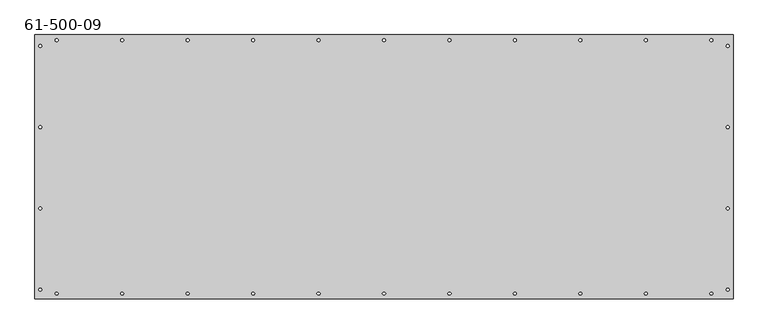
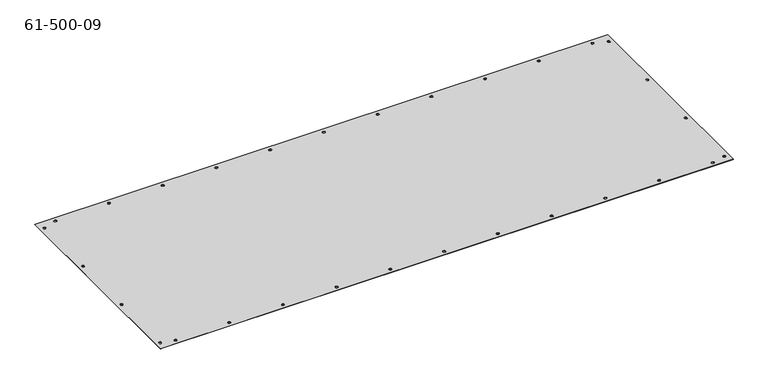
"""IFC4 building model written with IfcOpenShell, lengths in millimetres: proxy geometry, 61-500-09."""

import ifcopenshell
import ifcopenshell.guid

model = None  # the IFC model being written
_history = None  # IfcOwnerHistory: only IFC2X3 demands one
_inside = {}  # id of a spatial element -> (the spatial element, [elements in it])
_under = {}  # id of a project, library or spatial element -> (it, [spatial elements below it])
_declared = {}  # id of a project -> (the project, [libraries it declares])
_typed = {}  # id of a type object -> (the type object, [elements of that type])
_made_of = {}  # id of a material, layer set ... -> (it, [elements and type objects made of it])


def new_model(schema):
    """Start an empty IFC model of exactly this schema.

    Asked for "IFC4X3", IfcOpenShell would pick the latest addendum, in which some entities
    have other attributes; the version numbers below select the first issue.
    IFC2X3 requires an IfcOwnerHistory on every rooted entity: one is made here for all.
    """
    global model, _history
    if schema == "IFC4X3":
        model = ifcopenshell.file(schema_version=(4, 3, 0, 0))
    else:
        model = ifcopenshell.file(schema=schema)
    _inside.clear()
    _under.clear()
    _declared.clear()
    _typed.clear()
    _made_of.clear()
    _history = None
    if model.schema == "IFC2X3":
        org = make("IfcOrganization", Name="unknown")
        user = make(
            "IfcPersonAndOrganization",
            ThePerson=make("IfcPerson", FamilyName="unknown"),
            TheOrganization=org,
        )
        app = make(
            "IfcApplication",
            ApplicationDeveloper=org,
            Version="unknown",
            ApplicationFullName="unknown",
            ApplicationIdentifier="unknown",
        )
        _history = make(
            "IfcOwnerHistory",
            OwningUser=user,
            OwningApplication=app,
            ChangeAction="ADDED",
            CreationDate=0,
        )
    return model


def make(cls, **values):
    """One entity of the class cls with the attributes given. An attribute that is None is left unset."""
    return model.create_entity(
        cls, **{name: value for name, value in values.items() if value is not None}
    )


def rooted(cls, **values):
    """An entity with a GlobalId (a new one), such as an element, a storey or a relation."""
    return make(cls, GlobalId=ifcopenshell.guid.new(), OwnerHistory=_history, **values)


def si_unit(unit_type, name, prefix=None):
    """IfcSIUnit, for example si_unit("LENGTHUNIT", "METRE", prefix="MILLI")."""
    return make("IfcSIUnit", UnitType=unit_type, Prefix=prefix, Name=name)


def assignment(units):
    """IfcUnitAssignment: the units of a project."""
    return None if units is None else make("IfcUnitAssignment", Units=units)


def point(xyz):
    """IfcCartesianPoint."""
    return None if xyz is None else make("IfcCartesianPoint", Coordinates=xyz)


def direction(xyz):
    """IfcDirection."""
    return None if xyz is None else make("IfcDirection", DirectionRatios=xyz)


def frame(location, z_axis=None, x_axis=None):
    """IfcAxis2Placement3D, a coordinate frame: its origin and axes. An axis left out is left unset."""
    return make(
        "IfcAxis2Placement3D",
        Location=point(location),
        Axis=direction(z_axis),
        RefDirection=direction(x_axis),
    )


def frame_2d(location, x_axis=None):
    """IfcAxis2Placement2D, a coordinate frame in the plane: its origin and x axis."""
    return make(
        "IfcAxis2Placement2D", Location=point(location), RefDirection=direction(x_axis)
    )


def origin():
    """The frame at (0, 0, 0) with its axes left unset."""
    return frame((0.0, 0.0, 0.0))


def origin_with_axes():
    """The frame at (0, 0, 0) with the z axis (0, 0, 1) and the x axis (1, 0, 0) written out."""
    return frame((0.0, 0.0, 0.0), z_axis=(0.0, 0.0, 1.0), x_axis=(1.0, 0.0, 0.0))


def place(relative_to, where):
    """IfcLocalPlacement: puts the frame where relative to a parent placement (None: the world)."""
    return make(
        "IfcLocalPlacement", PlacementRelTo=relative_to, RelativePlacement=where
    )


def context(
    kind, dimensions, precision=None, world=None, true_north=None, identifier=None
):
    """IfcGeometricRepresentationContext, for example the 3D "Model" context."""
    return make(
        "IfcGeometricRepresentationContext",
        ContextIdentifier=identifier,
        ContextType=kind,
        CoordinateSpaceDimension=dimensions,
        Precision=precision,
        WorldCoordinateSystem=world,
        TrueNorth=true_north,
    )


def project(units=None, contexts=None):
    """IfcProject with its units and contexts."""
    return rooted(
        "IfcProject",
        Name="project",
        RepresentationContexts=contexts,
        UnitsInContext=assignment(units),
    )


def spatial(cls, under=None, at=None, **own):
    """A site, building, storey or space (cls), placed at a placement, below another one or the project."""
    s = rooted(cls, ObjectPlacement=at, **own)
    if under is not None:
        _under.setdefault(under.id(), (under, []))[1].append(s)
    return s


def polyline(points):
    """IfcPolyline through the points."""
    return make("IfcPolyline", Points=[point(p) for p in points])


def circle_curve(where, radius):
    """IfcCircle in the frame where."""
    return make("IfcCircle", Position=where, Radius=radius)


def trimmed(basis, trim1, trim2, sense, master):
    """IfcTrimmedCurve: the piece of a basis curve between two trims."""
    return make(
        "IfcTrimmedCurve",
        BasisCurve=basis,
        Trim1=trim1,
        Trim2=trim2,
        SenseAgreement=sense,
        MasterRepresentation=master,
    )


def segment(curve, same_sense, transition):
    """IfcCompositeCurveSegment."""
    return make(
        "IfcCompositeCurveSegment",
        Transition=transition,
        SameSense=same_sense,
        ParentCurve=curve,
    )


def composite_curve(segments, self_intersect=None):
    """IfcCompositeCurve: segments joined end to end."""
    return make("IfcCompositeCurve", Segments=segments, SelfIntersect=self_intersect)


def outline(outer, holes=None, kind="AREA"):
    """IfcArbitraryClosedProfileDef: a profile drawn as a closed curve; with holes, ...WithVoids."""
    if holes is None:
        return make("IfcArbitraryClosedProfileDef", ProfileType=kind, OuterCurve=outer)
    return make(
        "IfcArbitraryProfileDefWithVoids",
        ProfileType=kind,
        OuterCurve=outer,
        InnerCurves=holes,
    )


def extrude(swept, where, along, depth):
    """IfcExtrudedAreaSolid: the profile swept, set in the frame where, extruded along a direction by depth."""
    return make(
        "IfcExtrudedAreaSolid",
        SweptArea=swept,
        Position=where,
        ExtrudedDirection=direction(along),
        Depth=depth,
    )


def shape(context_of_items, identifier, shape_type, items):
    """IfcShapeRepresentation: the items that make up one representation, for example the "Body"."""
    return make(
        "IfcShapeRepresentation",
        ContextOfItems=context_of_items,
        RepresentationIdentifier=identifier,
        RepresentationType=shape_type,
        Items=items,
    )


def source(mapping_origin, context_of_items, identifier, shape_type, items):
    """IfcRepresentationMap: a shape defined once, which mapped items show again and again."""
    return make(
        "IfcRepresentationMap",
        MappingOrigin=mapping_origin,
        MappedRepresentation=shape(context_of_items, identifier, shape_type, items),
    )


def transform(
    local_origin,
    x_axis=None,
    y_axis=None,
    z_axis=None,
    scale=None,
    scale2=None,
    scale3=None,
    uniform=True,
):
    """IfcCartesianTransformationOperator3D, or its non-uniform kind. x_axis, y_axis, z_axis: its Axis1, 2, 3."""
    if uniform:
        return make(
            "IfcCartesianTransformationOperator3D",
            Axis1=direction(x_axis),
            Axis2=direction(y_axis),
            LocalOrigin=point(local_origin),
            Scale=scale,
            Axis3=direction(z_axis),
        )
    return make(
        "IfcCartesianTransformationOperator3DnonUniform",
        Axis1=direction(x_axis),
        Axis2=direction(y_axis),
        LocalOrigin=point(local_origin),
        Scale=scale,
        Axis3=direction(z_axis),
        Scale2=scale2,
        Scale3=scale3,
    )


def mapped(mapping_source, mapping_target):
    """IfcMappedItem: shows the shape of a source again, moved by a transform."""
    return make(
        "IfcMappedItem", MappingSource=mapping_source, MappingTarget=mapping_target
    )


def made_of(thing, what):
    """Note that an element or type object is made of a material, layer set ...; save() writes the relation."""
    if what is not None:
        _made_of.setdefault(what.id(), (what, []))[1].append(thing)
    return thing


def element(
    cls,
    number,
    at=None,
    inside=None,
    cuts=None,
    type_object=None,
    material=None,
    context=None,
    identifier="Body",
    shape_type=None,
    held_by="IfcProductDefinitionShape",
    body=None,
    shapes=None,
    **own,
):
    """One element of the class cls, such as IfcWall. Its Tag is "e" and its number.

    at: its placement. inside: the storey or other place that contains it. cuts: it is an
    opening in that element (IfcRelVoidsElement). A single representation is given by context,
    identifier, shape_type and body (its items); several are given by shapes. held_by: the class
    of the entity that holds the representations. save() writes the other relations.
    """
    e = rooted(cls, Tag="e%d" % number, ObjectPlacement=at, **own)
    if body is not None:
        shapes = [shape(context, identifier, shape_type, body)]
    if shapes is not None:
        e.Representation = make(held_by, Representations=shapes)
    if inside is not None:
        _inside.setdefault(inside.id(), (inside, []))[1].append(e)
    if cuts is not None:
        rooted(
            "IfcRelVoidsElement", RelatingBuildingElement=cuts, RelatedOpeningElement=e
        )
    if type_object is not None:
        _typed.setdefault(type_object.id(), (type_object, []))[1].append(e)
    return made_of(e, material)


def aggregate(whole, parts):
    """IfcRelAggregates: a whole, such as a stair, and the parts it consists of."""
    return rooted("IfcRelAggregates", RelatingObject=whole, RelatedObjects=parts)


def save(model, path):
    """Write the relations noted so far, then the file.

    IfcRelAggregates (storeys below a building ...), IfcRelContainedInSpatialStructure (elements
    in a storey), IfcRelDefinesByType, IfcRelAssociatesMaterial and IfcRelDeclares: one each for
    every whole, place, type object, material and project.
    """
    for whole, parts in _under.values():
        aggregate(whole, parts)
    for where, things in _inside.values():
        rooted(
            "IfcRelContainedInSpatialStructure",
            RelatedElements=things,
            RelatingStructure=where,
        )
    for kind, things in _typed.values():
        rooted("IfcRelDefinesByType", RelatedObjects=things, RelatingType=kind)
    for what, things in _made_of.values():
        rooted("IfcRelAssociatesMaterial", RelatedObjects=things, RelatingMaterial=what)
    for by, libraries in _declared.values():
        rooted("IfcRelDeclares", RelatingContext=by, RelatedDefinitions=libraries)
    model.write(path)


def proxy_61_500_09_ed3003fb(model_context):
    return source(origin(), model_context, "Body", "SweptSolid", [
        extrude(outline(polyline([(622.3, -235.7755), (-622.3, -235.7755), (-622.3, 235.7755), (622.3, 235.7755), (622.3, -235.7755)]), holes=[composite_curve([segment(trimmed(circle_curve(frame_2d((612.775, -219.4052002)), 2.3368), [point((610.4382, -219.4052002))], [point((615.1118, -219.4052002))], True, "CARTESIAN"), True, "CONTINUOUS"), segment(polyline([(615.1118, -219.4052002), (615.1118, -218.6178002)]), True, "CONTINUOUS"), segment(trimmed(circle_curve(frame_2d((612.775, -218.6177998)), 2.3368), [point((615.1118, -218.6178002))], [point((610.4382, -218.6177994))], True, "CARTESIAN"), True, "CONTINUOUS"), segment(polyline([(610.4382, -218.6177994), (610.4382, -219.4052002)]), True, "CONTINUOUS")], self_intersect=False), composite_curve([segment(trimmed(circle_curve(frame_2d((-612.775, -219.4052002)), 2.3368), [point((-615.1118, -219.4052002))], [point((-610.4382, -219.4052002))], True, "CARTESIAN"), True, "CONTINUOUS"), segment(polyline([(-610.4382, -219.4052002), (-610.4382, -218.6177994)]), True, "CONTINUOUS"), segment(trimmed(circle_curve(frame_2d((-612.775, -218.6177998)), 2.3368), [point((-610.4382, -218.6177994))], [point((-615.1118, -218.6178002))], True, "CARTESIAN"), True, "CONTINUOUS"), segment(polyline([(-615.1118, -218.6178002), (-615.1118, -219.4052002)]), True, "CONTINUOUS")], self_intersect=False), composite_curve([segment(trimmed(circle_curve(frame_2d((-612.775, 215.5697998)), 2.3368), [point((-615.1118, 215.5697998))], [point((-610.4382, 215.5697998))], True, "CARTESIAN"), True, "CONTINUOUS"), segment(polyline([(-610.4382, 215.5697998), (-610.4382, 216.3572006)]), True, "CONTINUOUS"), segment(trimmed(circle_curve(frame_2d((-612.775, 216.3572002)), 2.3368), [point((-610.4382, 216.3572006))], [point((-615.1118, 216.3571998))], True, "CARTESIAN"), True, "CONTINUOUS"), segment(polyline([(-615.1118, 216.3571998), (-615.1118, 215.5697998)]), True, "CONTINUOUS")], self_intersect=False), composite_curve([segment(trimmed(circle_curve(frame_2d((-612.7749957, -74.4220002)), 2.3368), [point((-615.1117957, -74.4220002))], [point((-610.4381957, -74.4220002))], True, "CARTESIAN"), True, "CONTINUOUS"), segment(polyline([(-610.4381957, -74.4220002), (-610.4381957, -73.6345994)]), True, "CONTINUOUS"), segment(trimmed(circle_curve(frame_2d((-612.7749957, -73.6345998)), 2.3368), [point((-610.4381957, -73.6345994))], [point((-615.1117957, -73.6346002))], True, "CARTESIAN"), True, "CONTINUOUS"), segment(polyline([(-615.1117957, -73.6346002), (-615.1117957, -74.4220002)]), True, "CONTINUOUS")], self_intersect=False), composite_curve([segment(trimmed(circle_curve(frame_2d((612.7749957, -74.4220002)), 2.3368), [point((610.4381957, -74.4220002))], [point((615.1117957, -74.4220002))], True, "CARTESIAN"), True, "CONTINUOUS"), segment(polyline([(615.1117957, -74.4220002), (615.1117957, -73.6346002)]), True, "CONTINUOUS"), segment(trimmed(circle_curve(frame_2d((612.7749957, -73.6345998)), 2.3368), [point((615.1117957, -73.6346002))], [point((610.4381957, -73.6345994))], True, "CARTESIAN"), True, "CONTINUOUS"), segment(polyline([(610.4381957, -73.6345994), (610.4381957, -74.4220002)]), True, "CONTINUOUS")], self_intersect=False), composite_curve([segment(trimmed(circle_curve(frame_2d((-612.775, 70.5865998)), 2.3368), [point((-615.1118, 70.5865998))], [point((-610.4382, 70.5865998))], True, "CARTESIAN"), True, "CONTINUOUS"), segment(polyline([(-610.4382, 70.5865998), (-610.4382, 71.3740006)]), True, "CONTINUOUS"), segment(trimmed(circle_curve(frame_2d((-612.775, 71.3740002)), 2.3368), [point((-610.4382, 71.3740006))], [point((-615.1118, 71.3739998))], True, "CARTESIAN"), True, "CONTINUOUS"), segment(polyline([(-615.1118, 71.3739998), (-615.1118, 70.5865998)]), True, "CONTINUOUS")], self_intersect=False), composite_curve([segment(trimmed(circle_curve(frame_2d((612.775, 71.3740002)), 2.3368), [point((615.1118, 71.3739998))], [point((610.4382, 71.3740006))], True, "CARTESIAN"), True, "CONTINUOUS"), segment(polyline([(610.4382, 71.3740006), (610.4382, 70.5865998)]), True, "CONTINUOUS"), segment(trimmed(circle_curve(frame_2d((612.775, 70.5865998)), 2.3368), [point((610.4382, 70.5865998))], [point((615.1118, 70.5865998))], True, "CARTESIAN"), True, "CONTINUOUS"), segment(polyline([(615.1118, 70.5865998), (615.1118, 71.3739998)]), True, "CONTINUOUS")], self_intersect=False), composite_curve([segment(trimmed(circle_curve(frame_2d((612.775, 216.3572002)), 2.3368), [point((615.1118, 216.3571998))], [point((610.4382, 216.3572006))], True, "CARTESIAN"), True, "CONTINUOUS"), segment(polyline([(610.4382, 216.3572006), (610.4382, 215.5697998)]), True, "CONTINUOUS"), segment(trimmed(circle_curve(frame_2d((612.775, 215.5697998)), 2.3368), [point((610.4382, 215.5697998))], [point((615.1118, 215.5697998))], True, "CARTESIAN"), True, "CONTINUOUS"), segment(polyline([(615.1118, 215.5697998), (615.1118, 216.3571998)]), True, "CONTINUOUS")], self_intersect=False), composite_curve([segment(trimmed(circle_curve(frame_2d((466.5599, -226.2505)), 2.3368), [point((466.5599, -223.9137))], [point((466.5599, -228.5873))], True, "CARTESIAN"), True, "CONTINUOUS"), segment(polyline([(466.5599, -228.5873), (467.3473, -228.5873)]), True, "CONTINUOUS"), segment(trimmed(circle_curve(frame_2d((467.3473, -226.2505)), 2.3368), [point((467.3473, -228.5873))], [point((467.3473, -223.9137))], True, "CARTESIAN"), True, "CONTINUOUS"), segment(polyline([(467.3473, -223.9137), (466.5599, -223.9137)]), True, "CONTINUOUS")], self_intersect=False), composite_curve([segment(trimmed(circle_curve(frame_2d((350.6089, -226.2505)), 2.3368), [point((350.6089, -228.5873))], [point((350.6089, -223.9137))], True, "CARTESIAN"), True, "CONTINUOUS"), segment(polyline([(350.6089, -223.9137), (349.8215, -223.9137)]), True, "CONTINUOUS"), segment(trimmed(circle_curve(frame_2d((349.8215, -226.2505)), 2.3368), [point((349.8215, -223.9137))], [point((349.8215, -228.5873))], True, "CARTESIAN"), True, "CONTINUOUS"), segment(polyline([(349.8215, -228.5873), (350.6089, -228.5873)]), True, "CONTINUOUS")], self_intersect=False), composite_curve([segment(trimmed(circle_curve(frame_2d((0.3937, -226.2505)), 2.3368), [point((0.3937, -228.5873))], [point((0.3937, -223.9137))], True, "CARTESIAN"), True, "CONTINUOUS"), segment(polyline([(0.3937, -223.9137), (-0.3937, -223.9137)]), True, "CONTINUOUS"), segment(trimmed(circle_curve(frame_2d((-0.3937, -226.2505)), 2.3368), [point((-0.3937, -223.9137))], [point((-0.3937, -228.5873))], True, "CARTESIAN"), True, "CONTINUOUS"), segment(polyline([(-0.3937, -228.5873), (0.3937, -228.5873)]), True, "CONTINUOUS")], self_intersect=False), composite_curve([segment(trimmed(circle_curve(frame_2d((-233.0831, -226.2505)), 2.3368), [point((-233.0831, -228.5873))], [point((-233.0831, -223.9137))], True, "CARTESIAN"), True, "CONTINUOUS"), segment(polyline([(-233.0831, -223.9137), (-233.8705, -223.9137)]), True, "CONTINUOUS"), segment(trimmed(circle_curve(frame_2d((-233.8705, -226.2505)), 2.3368), [point((-233.8705, -223.9137))], [point((-233.8705, -228.5873))], True, "CARTESIAN"), True, "CONTINUOUS"), segment(polyline([(-233.8705, -228.5873), (-233.0831, -228.5873)]), True, "CONTINUOUS")], self_intersect=False), composite_curve([segment(trimmed(circle_curve(frame_2d((-467.3473, -226.2505)), 2.3368), [point((-467.3473, -223.9137))], [point((-467.3473, -228.5873))], True, "CARTESIAN"), True, "CONTINUOUS"), segment(polyline([(-467.3473, -228.5873), (-466.5599, -228.5873)]), True, "CONTINUOUS"), segment(trimmed(circle_curve(frame_2d((-466.5599, -226.2505)), 2.3368), [point((-466.5599, -228.5873))], [point((-466.5599, -223.9137))], True, "CARTESIAN"), True, "CONTINUOUS"), segment(polyline([(-466.5599, -223.9137), (-467.3473, -223.9137)]), True, "CONTINUOUS")], self_intersect=False), composite_curve([segment(trimmed(circle_curve(frame_2d((583.2983, 226.2505)), 2.3368), [point((583.2983, 228.5873))], [point((583.2983, 223.9137))], True, "CARTESIAN"), True, "CONTINUOUS"), segment(polyline([(583.2983, 223.9137), (584.0857, 223.9137)]), True, "CONTINUOUS"), segment(trimmed(circle_curve(frame_2d((584.0857, 226.2505)), 2.3368), [point((584.0857, 223.9137))], [point((584.0857, 228.5873))], True, "CARTESIAN"), True, "CONTINUOUS"), segment(polyline([(584.0857, 228.5873), (583.2983, 228.5873)]), True, "CONTINUOUS")], self_intersect=False), composite_curve([segment(trimmed(circle_curve(frame_2d((349.8215, 226.2505)), 2.3368), [point((349.8215, 228.5873))], [point((349.8215, 223.9137))], True, "CARTESIAN"), True, "CONTINUOUS"), segment(polyline([(349.8215, 223.9137), (350.6089, 223.9137)]), True, "CONTINUOUS"), segment(trimmed(circle_curve(frame_2d((350.6089, 226.2505)), 2.3368), [point((350.6089, 223.9137))], [point((350.6089, 228.5873))], True, "CARTESIAN"), True, "CONTINUOUS"), segment(polyline([(350.6089, 228.5873), (349.8215, 228.5873)]), True, "CONTINUOUS")], self_intersect=False), composite_curve([segment(trimmed(circle_curve(frame_2d((116.3447, 226.2505)), 2.3368), [point((116.3447, 228.5873))], [point((116.3447, 223.9137))], True, "CARTESIAN"), True, "CONTINUOUS"), segment(polyline([(116.3447, 223.9137), (117.1321, 223.9137)]), True, "CONTINUOUS"), segment(trimmed(circle_curve(frame_2d((117.1321, 226.2505)), 2.3368), [point((117.1321, 223.9137))], [point((117.1321, 228.5873))], True, "CARTESIAN"), True, "CONTINUOUS"), segment(polyline([(117.1321, 228.5873), (116.3447, 228.5873)]), True, "CONTINUOUS")], self_intersect=False), composite_curve([segment(trimmed(circle_curve(frame_2d((-117.1321, 226.2505)), 2.3368), [point((-117.1321, 228.5873))], [point((-117.1321, 223.9137))], True, "CARTESIAN"), True, "CONTINUOUS"), segment(polyline([(-117.1321, 223.9137), (-116.3447, 223.9137)]), True, "CONTINUOUS"), segment(trimmed(circle_curve(frame_2d((-116.3447, 226.2505)), 2.3368), [point((-116.3447, 223.9137))], [point((-116.3447, 228.5873))], True, "CARTESIAN"), True, "CONTINUOUS"), segment(polyline([(-116.3447, 228.5873), (-117.1321, 228.5873)]), True, "CONTINUOUS")], self_intersect=False), composite_curve([segment(trimmed(circle_curve(frame_2d((-350.6089, 226.2505)), 2.3368), [point((-350.6089, 228.5873))], [point((-350.6089, 223.9137))], True, "CARTESIAN"), True, "CONTINUOUS"), segment(polyline([(-350.6089, 223.9137), (-349.8215, 223.9137)]), True, "CONTINUOUS"), segment(trimmed(circle_curve(frame_2d((-349.8215, 226.2505)), 2.3368), [point((-349.8215, 223.9137))], [point((-349.8215, 228.5873))], True, "CARTESIAN"), True, "CONTINUOUS"), segment(polyline([(-349.8215, 228.5873), (-350.6089, 228.5873)]), True, "CONTINUOUS")], self_intersect=False), composite_curve([segment(trimmed(circle_curve(frame_2d((-584.0857, 226.2505)), 2.3368), [point((-584.0857, 228.5873))], [point((-584.0857, 223.9137))], True, "CARTESIAN"), True, "CONTINUOUS"), segment(polyline([(-584.0857, 223.9137), (-583.2983, 223.9137)]), True, "CONTINUOUS"), segment(trimmed(circle_curve(frame_2d((-583.2983, 226.2505)), 2.3368), [point((-583.2983, 223.9137))], [point((-583.2983, 228.5873))], True, "CARTESIAN"), True, "CONTINUOUS"), segment(polyline([(-583.2983, 228.5873), (-584.0857, 228.5873)]), True, "CONTINUOUS")], self_intersect=False), composite_curve([segment(trimmed(circle_curve(frame_2d((-467.3473, 226.2505)), 2.3368), [point((-467.3473, 228.5873))], [point((-467.3473, 223.9137))], True, "CARTESIAN"), True, "CONTINUOUS"), segment(polyline([(-467.3473, 223.9137), (-466.5599, 223.9137)]), True, "CONTINUOUS"), segment(trimmed(circle_curve(frame_2d((-466.5599, 226.2505)), 2.3368), [point((-466.5599, 223.9137))], [point((-466.5599, 228.5873))], True, "CARTESIAN"), True, "CONTINUOUS"), segment(polyline([(-466.5599, 228.5873), (-467.3473, 228.5873)]), True, "CONTINUOUS")], self_intersect=False), composite_curve([segment(trimmed(circle_curve(frame_2d((-233.8705, 226.2505)), 2.3368), [point((-233.8705, 228.5873))], [point((-233.8705, 223.9137))], True, "CARTESIAN"), True, "CONTINUOUS"), segment(polyline([(-233.8705, 223.9137), (-233.0831, 223.9137)]), True, "CONTINUOUS"), segment(trimmed(circle_curve(frame_2d((-233.0831, 226.2505)), 2.3368), [point((-233.0831, 223.9137))], [point((-233.0831, 228.5873))], True, "CARTESIAN"), True, "CONTINUOUS"), segment(polyline([(-233.0831, 228.5873), (-233.8705, 228.5873)]), True, "CONTINUOUS")], self_intersect=False), composite_curve([segment(trimmed(circle_curve(frame_2d((-0.3937, 226.2505)), 2.3368), [point((-0.3937, 228.5873))], [point((-0.3937, 223.9137))], True, "CARTESIAN"), True, "CONTINUOUS"), segment(polyline([(-0.3937, 223.9137), (0.3937, 223.9137)]), True, "CONTINUOUS"), segment(trimmed(circle_curve(frame_2d((0.3937, 226.2505)), 2.3368), [point((0.3937, 223.9137))], [point((0.3937, 228.5873))], True, "CARTESIAN"), True, "CONTINUOUS"), segment(polyline([(0.3937, 228.5873), (-0.3937, 228.5873)]), True, "CONTINUOUS")], self_intersect=False), composite_curve([segment(trimmed(circle_curve(frame_2d((233.0831, 226.2505)), 2.3368), [point((233.0831, 228.5873))], [point((233.0831, 223.9137))], True, "CARTESIAN"), True, "CONTINUOUS"), segment(polyline([(233.0831, 223.9137), (233.8705, 223.9137)]), True, "CONTINUOUS"), segment(trimmed(circle_curve(frame_2d((233.8705, 226.2505)), 2.3368), [point((233.8705, 223.9137))], [point((233.8705, 228.5873))], True, "CARTESIAN"), True, "CONTINUOUS"), segment(polyline([(233.8705, 228.5873), (233.0831, 228.5873)]), True, "CONTINUOUS")], self_intersect=False), composite_curve([segment(trimmed(circle_curve(frame_2d((466.5599, 226.2505)), 2.3368), [point((466.5599, 228.5873))], [point((466.5599, 223.9137))], True, "CARTESIAN"), True, "CONTINUOUS"), segment(polyline([(466.5599, 223.9137), (467.3473, 223.9137)]), True, "CONTINUOUS"), segment(trimmed(circle_curve(frame_2d((467.3473, 226.2505)), 2.3368), [point((467.3473, 223.9137))], [point((467.3473, 228.5873))], True, "CARTESIAN"), True, "CONTINUOUS"), segment(polyline([(467.3473, 228.5873), (466.5599, 228.5873)]), True, "CONTINUOUS")], self_intersect=False), composite_curve([segment(trimmed(circle_curve(frame_2d((-583.2983, -226.2505)), 2.3368), [point((-583.2983, -228.5873))], [point((-583.2983, -223.9137))], True, "CARTESIAN"), True, "CONTINUOUS"), segment(polyline([(-583.2983, -223.9137), (-584.0857, -223.9137)]), True, "CONTINUOUS"), segment(trimmed(circle_curve(frame_2d((-584.0857, -226.2505)), 2.3368), [point((-584.0857, -223.9137))], [point((-584.0857, -228.5873))], True, "CARTESIAN"), True, "CONTINUOUS"), segment(polyline([(-584.0857, -228.5873), (-583.2983, -228.5873)]), True, "CONTINUOUS")], self_intersect=False), composite_curve([segment(trimmed(circle_curve(frame_2d((-349.8215, -226.2505)), 2.3368), [point((-349.8215, -228.5873))], [point((-349.8215, -223.9137))], True, "CARTESIAN"), True, "CONTINUOUS"), segment(polyline([(-349.8215, -223.9137), (-350.6089, -223.9137)]), True, "CONTINUOUS"), segment(trimmed(circle_curve(frame_2d((-350.6089, -226.2505)), 2.3368), [point((-350.6089, -223.9137))], [point((-350.6089, -228.5873))], True, "CARTESIAN"), True, "CONTINUOUS"), segment(polyline([(-350.6089, -228.5873), (-349.8215, -228.5873)]), True, "CONTINUOUS")], self_intersect=False), composite_curve([segment(trimmed(circle_curve(frame_2d((-116.3447, -226.2505)), 2.3368), [point((-116.3447, -228.5873))], [point((-116.3447, -223.9137))], True, "CARTESIAN"), True, "CONTINUOUS"), segment(polyline([(-116.3447, -223.9137), (-117.1321, -223.9137)]), True, "CONTINUOUS"), segment(trimmed(circle_curve(frame_2d((-117.1321, -226.2505)), 2.3368), [point((-117.1321, -223.9137))], [point((-117.1321, -228.5873))], True, "CARTESIAN"), True, "CONTINUOUS"), segment(polyline([(-117.1321, -228.5873), (-116.3447, -228.5873)]), True, "CONTINUOUS")], self_intersect=False), composite_curve([segment(trimmed(circle_curve(frame_2d((117.1321, -226.2505)), 2.3368), [point((117.1321, -228.5873))], [point((117.1321, -223.9137))], True, "CARTESIAN"), True, "CONTINUOUS"), segment(polyline([(117.1321, -223.9137), (116.3447, -223.9137)]), True, "CONTINUOUS"), segment(trimmed(circle_curve(frame_2d((116.3447, -226.2505)), 2.3368), [point((116.3447, -223.9137))], [point((116.3447, -228.5873))], True, "CARTESIAN"), True, "CONTINUOUS"), segment(polyline([(116.3447, -228.5873), (117.1321, -228.5873)]), True, "CONTINUOUS")], self_intersect=False), composite_curve([segment(trimmed(circle_curve(frame_2d((233.8705, -226.2505)), 2.3368), [point((233.8705, -228.5873))], [point((233.8705, -223.9137))], True, "CARTESIAN"), True, "CONTINUOUS"), segment(polyline([(233.8705, -223.9137), (233.0831, -223.9137)]), True, "CONTINUOUS"), segment(trimmed(circle_curve(frame_2d((233.0831, -226.2505)), 2.3368), [point((233.0831, -223.9137))], [point((233.0831, -228.5873))], True, "CARTESIAN"), True, "CONTINUOUS"), segment(polyline([(233.0831, -228.5873), (233.8705, -228.5873)]), True, "CONTINUOUS")], self_intersect=False), composite_curve([segment(trimmed(circle_curve(frame_2d((583.2983, -226.2505)), 2.3368), [point((583.2983, -223.9137))], [point((583.2983, -228.5873))], True, "CARTESIAN"), True, "CONTINUOUS"), segment(polyline([(583.2983, -228.5873), (584.0857, -228.5873)]), True, "CONTINUOUS"), segment(trimmed(circle_curve(frame_2d((584.0857, -226.2505)), 2.3368), [point((584.0857, -228.5873))], [point((584.0857, -223.9137))], True, "CARTESIAN"), True, "CONTINUOUS"), segment(polyline([(584.0857, -223.9137), (583.2983, -223.9137)]), True, "CONTINUOUS")], self_intersect=False)]), origin_with_axes(), (0.0, 0.0, 1.0), 0.85344),
    ])


if __name__ == "__main__":
    model = new_model("IFC4")
    model_context = context("Model", 3, world=origin())
    ifc_project = project(units=[si_unit("LENGTHUNIT", "METRE", prefix="MILLI")], contexts=[model_context])
    site = spatial("IfcSite", under=ifc_project)
    building = spatial("IfcBuilding", under=site)
    placement = place(None, origin())
    proxy_61_500_09_shape = proxy_61_500_09_ed3003fb(model_context)
    element("IfcBuildingElementProxy", 1, Name="61-500-09", ObjectType="61-500-09", at=placement, inside=building, context=model_context, shape_type="MappedRepresentation", body=[
        mapped(proxy_61_500_09_shape, transform((0.0, 0.0, 0.0), x_axis=(1.0, 0.0, 0.0), y_axis=(0.0, 1.0, 0.0), z_axis=(0.0, 0.0, 1.0))),
    ])
    save(model, "model.ifc")
